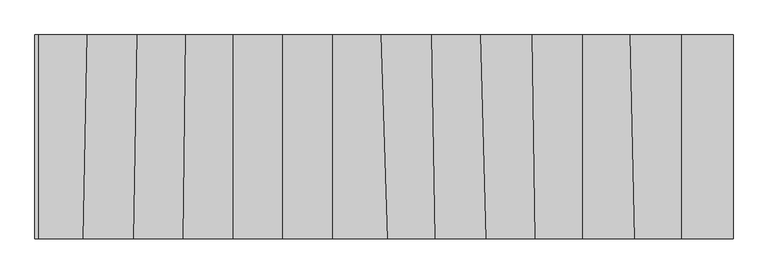
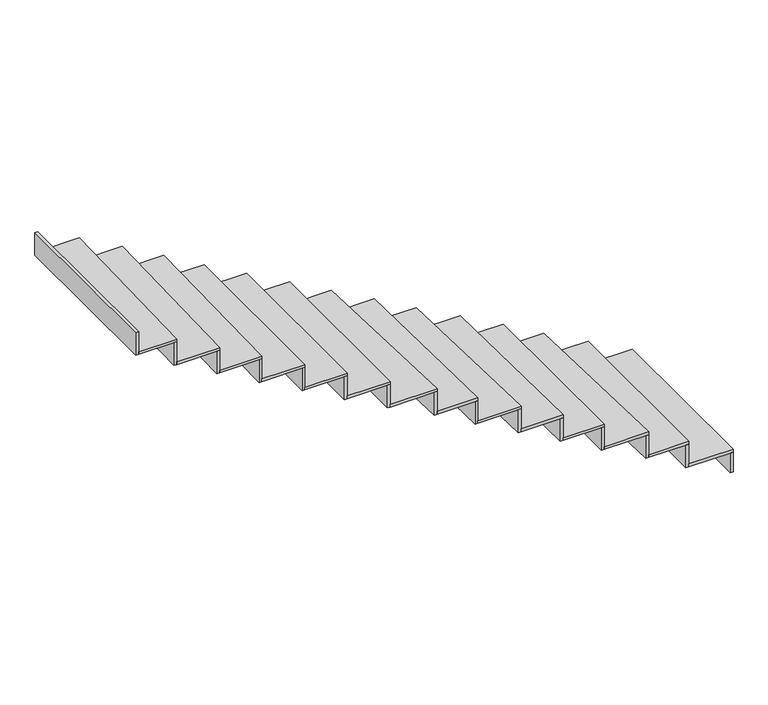
"""IFC4 building model written with IfcOpenShell, lengths in millimetres: stair flight geometry."""

from ifc_helpers import new_model, si_unit, frame, origin, place, context, project, spatial, polyline, outline, extrude, source, transform, mapped, element, save


def stair_flight_7deec72d(model_context):
    return source(origin(), model_context, "Body", "SweptSolid", [
        extrude(outline(polyline([(-31664.8248171, 1875.7753569), (-31644.8248171, 1875.7753569), (-31644.8248171, 684.4646703), (-31664.8248171, 684.4663197), (-31664.8248171, 1875.7753569)])), frame((0.0, 0.0, -2396.5), z_axis=(0.0, 0.0, 1.0), x_axis=(1.0, 0.0, 0.0)), (0.0, 0.0, 1.0), 143.5197413),
        extrude(outline(polyline([(-31946.3969127, 684.4895409), (-31946.3969127, 1875.7753569), (-31644.8248171, 1875.7753569), (-31644.8248171, 684.4646703), (-31946.3969127, 684.4895409)])), frame((0.0, 0.0, -2252.9802587), z_axis=(0.0, 0.0, 1.0), x_axis=(1.0, 0.0, 0.0)), (0.0, 0.0, 1.0), 20.0),
        extrude(outline(polyline([(-31966.3969127, 1875.7753569), (-31946.3969127, 1875.7753569), (-31946.3969127, 684.4895409), (-31966.3969127, 684.4911903), (-31966.3969127, 1875.7753569)])), frame((0.0, 0.0, -2252.9802587), z_axis=(0.0, 0.0, 1.0), x_axis=(1.0, 0.0, 0.0)), (0.0, 0.0, 1.0), 163.5197413),
        extrude(outline(polyline([(-32222.196294, 684.5122861), (-32249.3439637, 1875.7753569), (-31946.3969127, 1875.7753569), (-31946.3969127, 684.4895409), (-32222.196294, 684.5122861)])), frame((0.0, 0.0, -2089.4605175), z_axis=(0.0, 0.0, 1.0), x_axis=(1.0, 0.0, 0.0)), (0.0, 0.0, 1.0), 20.0),
        extrude(outline(polyline([(-32269.3491564, 1875.7753569), (-32249.3439637, 1875.7753569), (-32222.196294, 684.5122861), (-32242.2015243, 684.5139359), (-32269.3491564, 1875.7753569)])), frame((0.0, 0.0, -2089.4605175), z_axis=(0.0, 0.0, 1.0), x_axis=(1.0, 0.0, 0.0)), (0.0, 0.0, 1.0), 163.5197413),
        extrude(outline(polyline([(-32525.946895, 684.5373364), (-32525.946895, 1875.7753569), (-32249.3439637, 1875.7753569), (-32222.196294, 684.5122861), (-32525.946895, 684.5373364)])), frame((0.0, 0.0, -1925.9407762), z_axis=(0.0, 0.0, 1.0), x_axis=(1.0, 0.0, 0.0)), (0.0, 0.0, 1.0), 20.0),
        extrude(outline(polyline([(-32545.946895, 1875.7753569), (-32525.946895, 1875.7753569), (-32525.946895, 684.5373364), (-32545.946895, 684.5389858), (-32545.946895, 1875.7753569)])), frame((0.0, 0.0, -1925.9407762), z_axis=(0.0, 0.0, 1.0), x_axis=(1.0, 0.0, 0.0)), (0.0, 0.0, 1.0), 163.5197413),
        extrude(outline(polyline([(-32803.8994604, 684.5602592), (-32820.3185247, 1875.7753569), (-32525.946895, 1875.7753569), (-32525.946895, 684.5373364), (-32803.8994604, 684.5602592)])), frame((0.0, 0.0, -1762.421035), z_axis=(0.0, 0.0, 1.0), x_axis=(1.0, 0.0, 0.0)), (0.0, 0.0, 1.0), 20.0),
        extrude(outline(polyline([(-32840.3204245, 1875.7753569), (-32820.3185247, 1875.7753569), (-32803.8994604, 684.5602592), (-32823.9013829, 684.5619087), (-32840.3204245, 1875.7753569)])), frame((0.0, 0.0, -1762.421035), z_axis=(0.0, 0.0, 1.0), x_axis=(1.0, 0.0, 0.0)), (0.0, 0.0, 1.0), 163.5197413),
        extrude(outline(polyline([(-33091.3465138, 684.5839649), (-33121.8745607, 1875.7753569), (-32820.3185247, 1875.7753569), (-32803.8994604, 684.5602592), (-33091.3465138, 684.5839649)])), frame((0.0, 0.0, -1598.9012937), z_axis=(0.0, 0.0, 1.0), x_axis=(1.0, 0.0, 0.0)), (0.0, 0.0, 1.0), 20.0),
        extrude(outline(polyline([(-33141.8811277, 1875.7753569), (-33121.8745607, 1875.7753569), (-33091.3465138, 684.5839649), (-33111.353123, 684.5856149), (-33141.8811277, 1875.7753569)])), frame((0.0, 0.0, -1598.9012937), z_axis=(0.0, 0.0, 1.0), x_axis=(1.0, 0.0, 0.0)), (0.0, 0.0, 1.0), 163.5197413),
        extrude(outline(polyline([(-33386.9401745, 684.6083425), (-33407.7842024, 1875.7753569), (-33121.8745607, 1875.7753569), (-33091.3465138, 684.5839649), (-33386.9401745, 684.6083425)])), frame((0.0, 0.0, -1435.3815524), z_axis=(0.0, 0.0, 1.0), x_axis=(1.0, 0.0, 0.0)), (0.0, 0.0, 1.0), 20.0),
        extrude(outline(polyline([(-33427.7872643, 1875.7753569), (-33407.7842024, 1875.7753569), (-33386.9401745, 684.6083425), (-33406.9432652, 684.6099922), (-33427.7872643, 1875.7753569)])), frame((0.0, 0.0, -1435.3815524), z_axis=(0.0, 0.0, 1.0), x_axis=(1.0, 0.0, 0.0)), (0.0, 0.0, 1.0), 163.5197413),
        extrude(outline(polyline([(-33665.2200834, 684.6312923), (-33702.8398842, 1875.7753569), (-33407.7842024, 1875.7753569), (-33386.9401745, 684.6083425), (-33665.2200834, 684.6312923)])), frame((0.0, 0.0, -1271.8618112), z_axis=(0.0, 0.0, 1.0), x_axis=(1.0, 0.0, 0.0)), (0.0, 0.0, 1.0), 20.0),
        extrude(outline(polyline([(-33722.8498566, 1875.7753569), (-33702.8398842, 1875.7753569), (-33665.2200834, 684.6312923), (-33685.2301079, 684.6329425), (-33722.8498566, 1875.7753569)])), frame((0.0, 0.0, -1271.8618112), z_axis=(0.0, 0.0, 1.0), x_axis=(1.0, 0.0, 0.0)), (0.0, 0.0, 1.0), 163.5197413),
        extrude(outline(polyline([(-33985.8581147, 684.6577353), (-33985.8581147, 1875.7753569), (-33702.8398842, 1875.7753569), (-33665.2200834, 684.6312923), (-33985.8581147, 684.6577353)])), frame((0.0, 0.0, -1108.3420699), z_axis=(0.0, 0.0, 1.0), x_axis=(1.0, 0.0, 0.0)), (0.0, 0.0, 1.0), 20.0),
        extrude(outline(polyline([(-34005.8581147, 1875.7753569), (-33985.8581147, 1875.7753569), (-33985.8581147, 684.6577353), (-34005.8581147, 684.6593847), (-34005.8581147, 1875.7753569)])), frame((0.0, 0.0, -1108.3420699), z_axis=(0.0, 0.0, 1.0), x_axis=(1.0, 0.0, 0.0)), (0.0, 0.0, 1.0), 163.5197413),
        extrude(outline(polyline([(-34278.4592767, 684.6818661), (-34278.4592767, 1875.7753569), (-33985.8581147, 1875.7753569), (-33985.8581147, 684.6577353), (-34278.4592767, 684.6818661)])), frame((0.0, 0.0, -944.8223286), z_axis=(0.0, 0.0, 1.0), x_axis=(1.0, 0.0, 0.0)), (0.0, 0.0, 1.0), 20.0),
        extrude(outline(polyline([(-34298.4592767, 1875.7753569), (-34278.4592767, 1875.7753569), (-34278.4592767, 684.6818661), (-34298.4592767, 684.6835155), (-34298.4592767, 1875.7753569)])), frame((0.0, 0.0, -944.8223286), z_axis=(0.0, 0.0, 1.0), x_axis=(1.0, 0.0, 0.0)), (0.0, 0.0, 1.0), 163.5197413),
        extrude(outline(polyline([(-34568.4307832, 684.7057801), (-34568.4307832, 1875.7753569), (-34278.4592767, 1875.7753569), (-34278.4592767, 684.6818661), (-34568.4307832, 684.7057801)])), frame((0.0, 0.0, -781.3025874), z_axis=(0.0, 0.0, 1.0), x_axis=(1.0, 0.0, 0.0)), (0.0, 0.0, 1.0), 20.0),
        extrude(outline(polyline([(-34588.4307832, 1875.7753569), (-34568.4307832, 1875.7753569), (-34568.4307832, 684.7057801), (-34588.4307832, 684.7074295), (-34588.4307832, 1875.7753569)])), frame((0.0, 0.0, -781.3025874), z_axis=(0.0, 0.0, 1.0), x_axis=(1.0, 0.0, 0.0)), (0.0, 0.0, 1.0), 163.5197413),
        extrude(outline(polyline([(-34862.1241141, 684.730001), (-34846.5333771, 1875.7753569), (-34568.4307832, 1875.7753569), (-34568.4307832, 684.7057801), (-34862.1241141, 684.730001)])), frame((0.0, 0.0, -617.7828461), z_axis=(0.0, 0.0, 1.0), x_axis=(1.0, 0.0, 0.0)), (0.0, 0.0, 1.0), 20.0),
        extrude(outline(polyline([(-34866.5350905, 1875.7753569), (-34846.5333771, 1875.7753569), (-34862.1241141, 684.730001), (-34882.1258059, 684.7316505), (-34866.5350905, 1875.7753569)])), frame((0.0, 0.0, -617.7828461), z_axis=(0.0, 0.0, 1.0), x_axis=(1.0, 0.0, 0.0)), (0.0, 0.0, 1.0), 163.5197413),
        extrude(outline(polyline([(-35151.0657601, 684.75383), (-35129.8438015, 1875.7753569), (-34846.5333771, 1875.7753569), (-34862.1241141, 684.730001), (-35151.0657601, 684.75383)])), frame((0.0, 0.0, -454.2631049), z_axis=(0.0, 0.0, 1.0), x_axis=(1.0, 0.0, 0.0)), (0.0, 0.0, 1.0), 20.0),
        extrude(outline(polyline([(-35149.8469761, 1875.7753569), (-35129.8438015, 1875.7753569), (-35151.0657601, 684.75383), (-35171.0689054, 684.7554797), (-35149.8469761, 1875.7753569)])), frame((0.0, 0.0, -454.2631049), z_axis=(0.0, 0.0, 1.0), x_axis=(1.0, 0.0, 0.0)), (0.0, 0.0, 1.0), 163.5197413),
        extrude(outline(polyline([(-35444.6126511, 684.7780388), (-35420.6132023, 1875.7753569), (-35129.8438015, 1875.7753569), (-35151.0657601, 684.75383), (-35444.6126511, 684.7780388)])), frame((0.0, 0.0, -290.7433636), z_axis=(0.0, 0.0, 1.0), x_axis=(1.0, 0.0, 0.0)), (0.0, 0.0, 1.0), 20.0),
        extrude(outline(polyline([(-35440.6172624, 1875.7753569), (-35420.6132023, 1875.7753569), (-35444.6126511, 684.7780388), (-35464.616678, 684.7796885), (-35440.6172624, 1875.7753569)])), frame((0.0, 0.0, -290.7433636), z_axis=(0.0, 0.0, 1.0), x_axis=(1.0, 0.0, 0.0)), (0.0, 0.0, 1.0), 163.5197413),
        extrude(outline(polyline([(-35724.8248033, 1875.7753569), (-35704.8248033, 1875.7753569), (-35704.8248033, 684.7994985), (-35724.8248033, 684.8011479), (-35724.8248033, 1875.7753569)])), frame((0.0, 0.0, -127.2236223), z_axis=(0.0, 0.0, 1.0), x_axis=(1.0, 0.0, 0.0)), (0.0, 0.0, 1.0), 163.5197413),
        extrude(outline(polyline([(-35704.8248033, 684.7994985), (-35704.8248033, 1875.7753569), (-35420.6132023, 1875.7753569), (-35444.6126511, 684.7780388), (-35704.8248033, 684.7994985)])), frame((0.0, 0.0, -127.2236223), z_axis=(0.0, 0.0, 1.0), x_axis=(1.0, 0.0, 0.0)), (0.0, 0.0, 1.0), 20.0),
    ])


if __name__ == "__main__":
    model = new_model("IFC4")
    model_context = context("Model", 3, world=origin())
    ifc_project = project(units=[si_unit("LENGTHUNIT", "METRE", prefix="MILLI")], contexts=[model_context])
    site = spatial("IfcSite", under=ifc_project)
    building = spatial("IfcBuilding", under=site)
    placement = place(None, origin())
    stair_flight_shape = stair_flight_7deec72d(model_context)
    element("IfcStairFlight", 1, at=placement, inside=building, context=model_context, shape_type="MappedRepresentation", body=[
        mapped(stair_flight_shape, transform((0.0, 0.0, 0.0), x_axis=(1.0, 0.0, 0.0), y_axis=(0.0, 1.0, 0.0), z_axis=(0.0, 0.0, 1.0))),
    ])
    save(model, "model.ifc")
